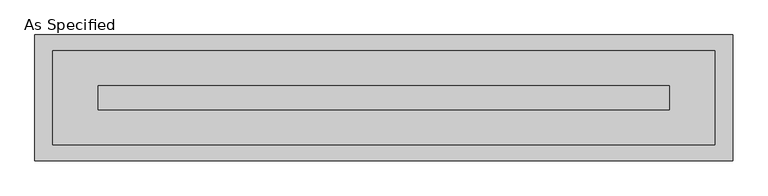
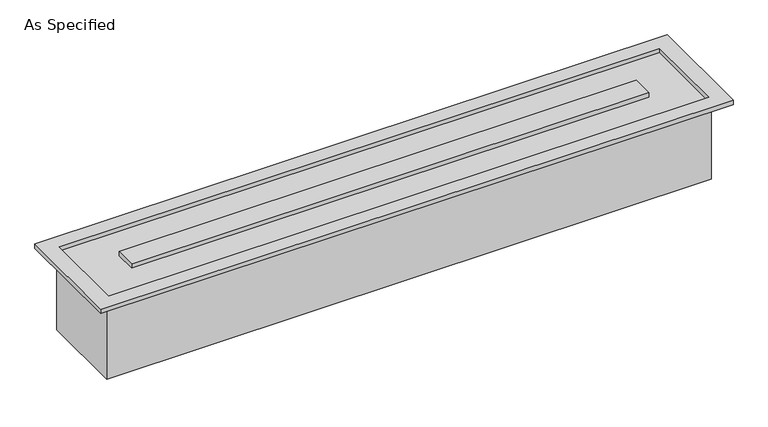
"""IFC4 building model written with IfcOpenShell, lengths in millimetres: proxy geometry, As Specified."""

import ifcopenshell
import ifcopenshell.guid

model = None  # the IFC model being written
_history = None  # IfcOwnerHistory: only IFC2X3 demands one
_inside = {}  # id of a spatial element -> (the spatial element, [elements in it])
_under = {}  # id of a project, library or spatial element -> (it, [spatial elements below it])
_declared = {}  # id of a project -> (the project, [libraries it declares])
_typed = {}  # id of a type object -> (the type object, [elements of that type])
_made_of = {}  # id of a material, layer set ... -> (it, [elements and type objects made of it])


def new_model(schema):
    """Start an empty IFC model of exactly this schema.

    Asked for "IFC4X3", IfcOpenShell would pick the latest addendum, in which some entities
    have other attributes; the version numbers below select the first issue.
    IFC2X3 requires an IfcOwnerHistory on every rooted entity: one is made here for all.
    """
    global model, _history
    if schema == "IFC4X3":
        model = ifcopenshell.file(schema_version=(4, 3, 0, 0))
    else:
        model = ifcopenshell.file(schema=schema)
    _inside.clear()
    _under.clear()
    _declared.clear()
    _typed.clear()
    _made_of.clear()
    _history = None
    if model.schema == "IFC2X3":
        org = make("IfcOrganization", Name="unknown")
        user = make(
            "IfcPersonAndOrganization",
            ThePerson=make("IfcPerson", FamilyName="unknown"),
            TheOrganization=org,
        )
        app = make(
            "IfcApplication",
            ApplicationDeveloper=org,
            Version="unknown",
            ApplicationFullName="unknown",
            ApplicationIdentifier="unknown",
        )
        _history = make(
            "IfcOwnerHistory",
            OwningUser=user,
            OwningApplication=app,
            ChangeAction="ADDED",
            CreationDate=0,
        )
    return model


def make(cls, **values):
    """One entity of the class cls with the attributes given. An attribute that is None is left unset."""
    return model.create_entity(
        cls, **{name: value for name, value in values.items() if value is not None}
    )


def rooted(cls, **values):
    """An entity with a GlobalId (a new one), such as an element, a storey or a relation."""
    return make(cls, GlobalId=ifcopenshell.guid.new(), OwnerHistory=_history, **values)


def si_unit(unit_type, name, prefix=None):
    """IfcSIUnit, for example si_unit("LENGTHUNIT", "METRE", prefix="MILLI")."""
    return make("IfcSIUnit", UnitType=unit_type, Prefix=prefix, Name=name)


def assignment(units):
    """IfcUnitAssignment: the units of a project."""
    return None if units is None else make("IfcUnitAssignment", Units=units)


def point(xyz):
    """IfcCartesianPoint."""
    return None if xyz is None else make("IfcCartesianPoint", Coordinates=xyz)


def direction(xyz):
    """IfcDirection."""
    return None if xyz is None else make("IfcDirection", DirectionRatios=xyz)


def frame(location, z_axis=None, x_axis=None):
    """IfcAxis2Placement3D, a coordinate frame: its origin and axes. An axis left out is left unset."""
    return make(
        "IfcAxis2Placement3D",
        Location=point(location),
        Axis=direction(z_axis),
        RefDirection=direction(x_axis),
    )


def origin():
    """The frame at (0, 0, 0) with its axes left unset."""
    return frame((0.0, 0.0, 0.0))


def place(relative_to, where):
    """IfcLocalPlacement: puts the frame where relative to a parent placement (None: the world)."""
    return make(
        "IfcLocalPlacement", PlacementRelTo=relative_to, RelativePlacement=where
    )


def context(
    kind, dimensions, precision=None, world=None, true_north=None, identifier=None
):
    """IfcGeometricRepresentationContext, for example the 3D "Model" context."""
    return make(
        "IfcGeometricRepresentationContext",
        ContextIdentifier=identifier,
        ContextType=kind,
        CoordinateSpaceDimension=dimensions,
        Precision=precision,
        WorldCoordinateSystem=world,
        TrueNorth=true_north,
    )


def project(units=None, contexts=None):
    """IfcProject with its units and contexts."""
    return rooted(
        "IfcProject",
        Name="project",
        RepresentationContexts=contexts,
        UnitsInContext=assignment(units),
    )


def spatial(cls, under=None, at=None, **own):
    """A site, building, storey or space (cls), placed at a placement, below another one or the project."""
    s = rooted(cls, ObjectPlacement=at, **own)
    if under is not None:
        _under.setdefault(under.id(), (under, []))[1].append(s)
    return s


def faces_of(points, faces, orient=None, outer=None):
    """IfcFace entities. A face is a list of loops; a loop is a list of indices into points, from 0.

    orient and outer hold one flag for each loop. By default every Orientation is true, the
    first loop of a face is its IfcFaceOuterBound and the others are IfcFaceBound.
    """
    made = []
    for i, loops in enumerate(faces):
        bounds = []
        for j, loop in enumerate(loops):
            is_outer = j == 0 if outer is None else outer[i][j]
            bounds.append(
                make(
                    "IfcFaceOuterBound" if is_outer else "IfcFaceBound",
                    Bound=make("IfcPolyLoop", Polygon=[points[k] for k in loop]),
                    Orientation=True if orient is None else orient[i][j],
                )
            )
        made.append(make("IfcFace", Bounds=bounds))
    return made


def faceted_brep(points, faces, orient=None, outer=None, voids=None):
    """IfcFacetedBrep: a solid bounded by flat faces; with voids (closed shells), ...WithVoids."""
    shared = [point(p) for p in points]
    hull = make("IfcClosedShell", CfsFaces=faces_of(shared, faces, orient, outer))
    if voids is None:
        return make("IfcFacetedBrep", Outer=hull)
    return make(
        "IfcFacetedBrepWithVoids",
        Outer=hull,
        Voids=[
            make(cls, CfsFaces=faces_of(shared, fs, o, b)) for cls, fs, o, b in voids
        ],
    )


def shape(context_of_items, identifier, shape_type, items):
    """IfcShapeRepresentation: the items that make up one representation, for example the "Body"."""
    return make(
        "IfcShapeRepresentation",
        ContextOfItems=context_of_items,
        RepresentationIdentifier=identifier,
        RepresentationType=shape_type,
        Items=items,
    )


def source(mapping_origin, context_of_items, identifier, shape_type, items):
    """IfcRepresentationMap: a shape defined once, which mapped items show again and again."""
    return make(
        "IfcRepresentationMap",
        MappingOrigin=mapping_origin,
        MappedRepresentation=shape(context_of_items, identifier, shape_type, items),
    )


def transform(
    local_origin,
    x_axis=None,
    y_axis=None,
    z_axis=None,
    scale=None,
    scale2=None,
    scale3=None,
    uniform=True,
):
    """IfcCartesianTransformationOperator3D, or its non-uniform kind. x_axis, y_axis, z_axis: its Axis1, 2, 3."""
    if uniform:
        return make(
            "IfcCartesianTransformationOperator3D",
            Axis1=direction(x_axis),
            Axis2=direction(y_axis),
            LocalOrigin=point(local_origin),
            Scale=scale,
            Axis3=direction(z_axis),
        )
    return make(
        "IfcCartesianTransformationOperator3DnonUniform",
        Axis1=direction(x_axis),
        Axis2=direction(y_axis),
        LocalOrigin=point(local_origin),
        Scale=scale,
        Axis3=direction(z_axis),
        Scale2=scale2,
        Scale3=scale3,
    )


def mapped(mapping_source, mapping_target):
    """IfcMappedItem: shows the shape of a source again, moved by a transform."""
    return make(
        "IfcMappedItem", MappingSource=mapping_source, MappingTarget=mapping_target
    )


def made_of(thing, what):
    """Note that an element or type object is made of a material, layer set ...; save() writes the relation."""
    if what is not None:
        _made_of.setdefault(what.id(), (what, []))[1].append(thing)
    return thing


def element(
    cls,
    number,
    at=None,
    inside=None,
    cuts=None,
    type_object=None,
    material=None,
    context=None,
    identifier="Body",
    shape_type=None,
    held_by="IfcProductDefinitionShape",
    body=None,
    shapes=None,
    **own,
):
    """One element of the class cls, such as IfcWall. Its Tag is "e" and its number.

    at: its placement. inside: the storey or other place that contains it. cuts: it is an
    opening in that element (IfcRelVoidsElement). A single representation is given by context,
    identifier, shape_type and body (its items); several are given by shapes. held_by: the class
    of the entity that holds the representations. save() writes the other relations.
    """
    e = rooted(cls, Tag="e%d" % number, ObjectPlacement=at, **own)
    if body is not None:
        shapes = [shape(context, identifier, shape_type, body)]
    if shapes is not None:
        e.Representation = make(held_by, Representations=shapes)
    if inside is not None:
        _inside.setdefault(inside.id(), (inside, []))[1].append(e)
    if cuts is not None:
        rooted(
            "IfcRelVoidsElement", RelatingBuildingElement=cuts, RelatedOpeningElement=e
        )
    if type_object is not None:
        _typed.setdefault(type_object.id(), (type_object, []))[1].append(e)
    return made_of(e, material)


def aggregate(whole, parts):
    """IfcRelAggregates: a whole, such as a stair, and the parts it consists of."""
    return rooted("IfcRelAggregates", RelatingObject=whole, RelatedObjects=parts)


def save(model, path):
    """Write the relations noted so far, then the file.

    IfcRelAggregates (storeys below a building ...), IfcRelContainedInSpatialStructure (elements
    in a storey), IfcRelDefinesByType, IfcRelAssociatesMaterial and IfcRelDeclares: one each for
    every whole, place, type object, material and project.
    """
    for whole, parts in _under.values():
        aggregate(whole, parts)
    for where, things in _inside.values():
        rooted(
            "IfcRelContainedInSpatialStructure",
            RelatedElements=things,
            RelatingStructure=where,
        )
    for kind, things in _typed.values():
        rooted("IfcRelDefinesByType", RelatedObjects=things, RelatingType=kind)
    for what, things in _made_of.values():
        rooted("IfcRelAssociatesMaterial", RelatedObjects=things, RelatingMaterial=what)
    for by, libraries in _declared.values():
        rooted("IfcRelDeclares", RelatingContext=by, RelatedDefinitions=libraries)
    model.write(path)


def as_specified_1c8da8f5(model_context):
    return source(origin(), model_context, "Body", "Brep", [
        faceted_brep([(1068.3875, 152.4, -292.1), (1068.3875, -152.4, -292.1), (-1068.3875, -152.4, -292.1), (-1068.3875, 152.4, -292.1), (1060.4499926, -150.812509, 0.0), (1060.4499926, 150.8125043, 0.0), (-1060.4499937, 150.8125043, 0.0), (-1060.4499937, -150.812509, 0.0), (-914.4000025, 38.0999981, 0.0), (914.4000013, 38.0999981, 0.0), (914.4000013, -38.1000028, 0.0), (-914.4000025, -38.1000028, 0.0), (-1068.3875, 152.4, 0.0), (1068.3875, 152.4, 0.0), (-1068.3875, -152.4, 0.0), (1068.3875, -152.4, 0.0), (1117.6, 201.6125, 15.875), (-1117.6, 201.6125, 15.875), (-1117.6, -201.6125, 15.875), (1117.6, -201.6125, 15.875), (1060.4499926, 150.8125043, 15.875), (1060.4499926, -150.812509, 15.875), (-1060.4499937, -150.812509, 15.875), (-1060.4499937, 150.8125043, 15.875), (914.4000013, 38.0999981, 15.875), (-914.4000025, 38.0999981, 15.875), (-914.4000025, -38.1000028, 15.875), (914.4000013, -38.1000028, 15.875), (1117.6, 201.6125, 0.0), (1117.6, -201.6125, 0.0), (-1117.6, -201.6125, 0.0), (-1117.6, 201.6125, 0.0)], [[[0, 1, 2, 3]], [[4, 5, 6, 7], [8, 9, 10, 11]], [[0, 3, 12, 13]], [[3, 2, 14, 12]], [[2, 1, 15, 14]], [[1, 0, 13, 15]], [[16, 17, 18, 19], [20, 21, 22, 23]], [[24, 25, 26, 27]], [[28, 29, 30, 31], [13, 12, 14, 15]], [[17, 16, 28, 31]], [[18, 17, 31, 30]], [[19, 18, 30, 29]], [[16, 19, 29, 28]], [[21, 20, 5, 4]], [[22, 21, 4, 7]], [[23, 22, 7, 6]], [[20, 23, 6, 5]], [[25, 24, 9, 8]], [[26, 25, 8, 11]], [[27, 26, 11, 10]], [[24, 27, 10, 9]]]),
    ])


if __name__ == "__main__":
    model = new_model("IFC4")
    model_context = context("Model", 3, world=origin())
    ifc_project = project(units=[si_unit("LENGTHUNIT", "METRE", prefix="MILLI")], contexts=[model_context])
    site = spatial("IfcSite", under=ifc_project)
    building = spatial("IfcBuilding", under=site)
    placement = place(None, origin())
    as_specified_shape = as_specified_1c8da8f5(model_context)
    element("IfcBuildingElementProxy", 1, Name="As Specified", ObjectType="As Specified", at=placement, inside=building, context=model_context, shape_type="MappedRepresentation", body=[
        mapped(as_specified_shape, transform((0.0, 0.0, 0.0), x_axis=(1.0, 0.0, 0.0), y_axis=(0.0, 1.0, 0.0), z_axis=(0.0, 0.0, 1.0))),
    ])
    save(model, "model.ifc")
